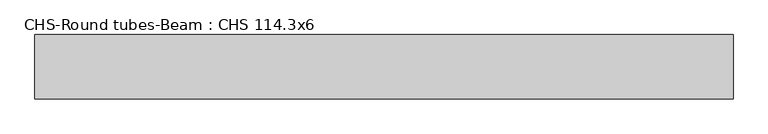
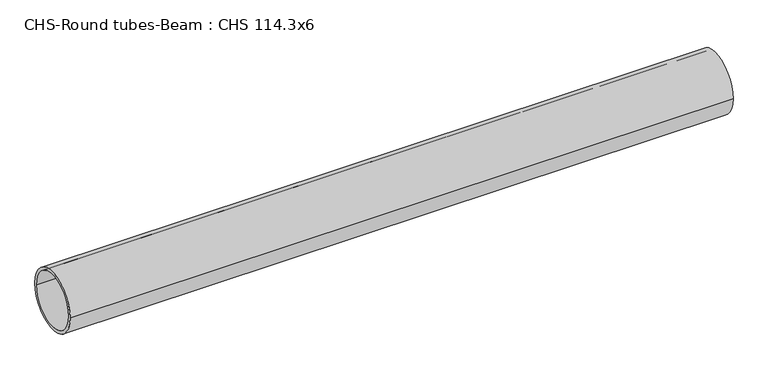
"""IFC4 building model written with IfcOpenShell, lengths in millimetres: beam geometry, CHS-Round tubes-Beam : CHS 114.3x6."""

from ifc_helpers import new_model, si_unit, point, frame, origin, origin_2d, place, context, project, spatial, circle_curve, trimmed, segment, composite_curve, outline, extrude, source, transform, mapped, element, save


def chs_round_tubes_beam_chs_114_3x6_7fb73c09(model_context):
    return source(origin(), model_context, "Body", "SweptSolid", [
        extrude(outline(composite_curve([segment(trimmed(circle_curve(origin_2d(), 57.15), [point((57.15, 0.0))], [point((-57.15, 0.0))], False, "CARTESIAN"), True, "CONTINUOUS"), segment(trimmed(circle_curve(origin_2d(), 57.15), [point((-57.15, 0.0))], [point((57.15, 0.0))], False, "CARTESIAN"), True, "CONTINUOUS")], self_intersect=False), holes=[composite_curve([segment(trimmed(circle_curve(origin_2d(), 51.15), [point((51.15, 0.0))], [point((-51.15, 0.0))], True, "CARTESIAN"), True, "CONTINUOUS"), segment(trimmed(circle_curve(origin_2d(), 51.15), [point((-51.15, 0.0))], [point((51.15, 0.0))], True, "CARTESIAN"), True, "CONTINUOUS")], self_intersect=False)]), frame((-620.4597553, 0.0, 0.0), z_axis=(1.0, 0.0, 0.0), x_axis=(0.0, 1.0, 0.0)), (0.0, 0.0, 1.0), 1240.9175462),
    ])


if __name__ == "__main__":
    model = new_model("IFC4")
    model_context = context("Model", 3, world=origin())
    ifc_project = project(units=[si_unit("LENGTHUNIT", "METRE", prefix="MILLI")], contexts=[model_context])
    site = spatial("IfcSite", under=ifc_project)
    building = spatial("IfcBuilding", under=site)
    placement = place(None, origin())
    chs_round_tubes_beam_chs_114_3x6_shape = chs_round_tubes_beam_chs_114_3x6_7fb73c09(model_context)
    element("IfcBeam", 1, ObjectType="CHS-Round tubes-Beam : CHS 114.3x6", at=placement, inside=building, context=model_context, shape_type="MappedRepresentation", body=[
        mapped(chs_round_tubes_beam_chs_114_3x6_shape, transform((0.0, 0.0, 0.0), x_axis=(1.0, 0.0, 0.0), y_axis=(0.0, 1.0, 0.0), z_axis=(0.0, 0.0, 1.0))),
    ])
    save(model, "model.ifc")
